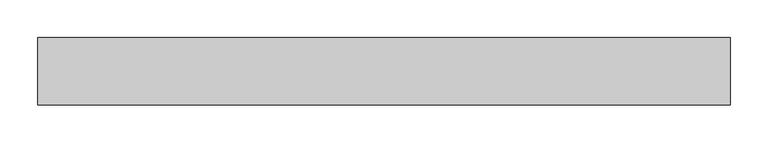
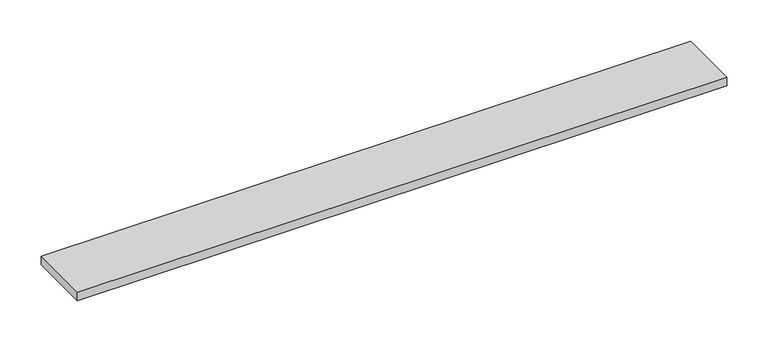
"""IFC4 building model written with IfcOpenShell, lengths in millimetres: furniture geometry."""

from ifc_helpers import new_model, si_unit, frame, origin, place, context, project, spatial, polyline, outline, extrude, source, transform, mapped, element, save


def furniture_9b98930f(model_context):
    return source(origin(), model_context, "Body", "SweptSolid", [
        extrude(outline(polyline([(553.61205, 38.735), (553.61205, -50.165), (-360.78795, -50.165), (-360.78795, 38.735), (553.61205, 38.735)])), frame((0.0, 0.0, 965.2), z_axis=(0.0, 0.0, 1.0), x_axis=(1.0, 0.0, 0.0)), (0.0, 0.0, 1.0), 12.7),
    ])


if __name__ == "__main__":
    model = new_model("IFC4")
    model_context = context("Model", 3, world=origin())
    ifc_project = project(units=[si_unit("LENGTHUNIT", "METRE", prefix="MILLI")], contexts=[model_context])
    site = spatial("IfcSite", under=ifc_project)
    building = spatial("IfcBuilding", under=site)
    placement = place(None, origin())
    furniture_shape = furniture_9b98930f(model_context)
    element("IfcFurniture", 1, at=placement, inside=building, context=model_context, shape_type="MappedRepresentation", body=[
        mapped(furniture_shape, transform((0.0, 0.0, 0.0), x_axis=(1.0, 0.0, 0.0), y_axis=(0.0, 1.0, 0.0), z_axis=(0.0, 0.0, 1.0))),
    ])
    save(model, "model.ifc")
